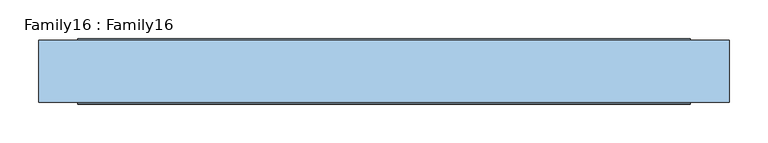
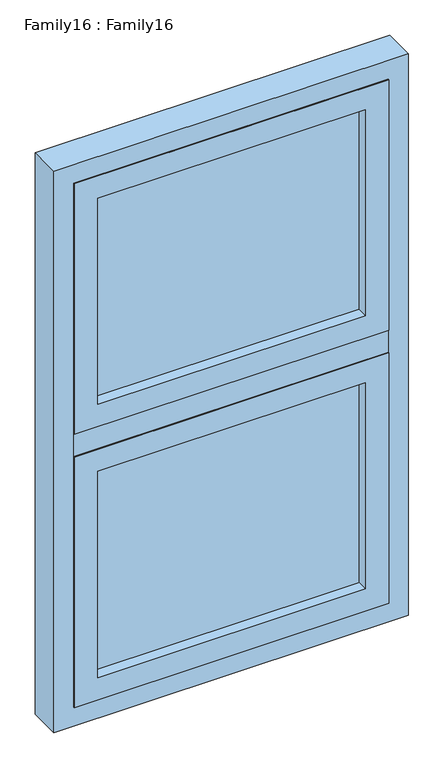
"""IFC4 building model written with IfcOpenShell, lengths in millimetres: window geometry, Family16 : Family16."""

from ifc_helpers import new_model, si_unit, frame, origin, place, context, project, spatial, polyline, outline, extrude, source, transform, mapped, element, save


def family16_family16_118fd4ed(model_context):
    return source(origin(), model_context, "Body", "SweptSolid", [
        extrude(outline(polyline([(336.0, -10.0), (336.0, -14.0), (-336.0, -14.0), (-336.0, -10.0), (336.0, -10.0)])), frame((0.0, 0.0, 909.0), z_axis=(0.0, 0.0, 1.0), x_axis=(1.0, 0.0, 0.0)), (0.0, 0.0, 1.0), 577.0),
        extrude(outline(polyline([(336.0, 14.0), (336.0, 10.0), (-336.0, 10.0), (-336.0, 14.0), (336.0, 14.0)])), frame((0.0, 0.0, 909.0), z_axis=(0.0, 0.0, 1.0), x_axis=(1.0, 0.0, 0.0)), (0.0, 0.0, 1.0), 577.0),
        extrude(outline(polyline([(1515.0, 395.0), (1515.0, -395.0), (850.0, -395.0), (850.0, 395.0), (1515.0, 395.0)]), holes=[polyline([(909.0, 336.0), (909.0, -336.0), (1456.0, -336.0), (1456.0, 336.0), (909.0, 336.0)])]), frame((0.0, -42.0, 0.0), z_axis=(0.0, 1.0, 0.0), x_axis=(0.0, 0.0, 1.0)), (0.0, 0.0, 1.0), 84.0),
        extrude(outline(polyline([(2240.0, 395.0), (2240.0, -395.0), (1575.0, -395.0), (1575.0, 395.0), (2240.0, 395.0)]), holes=[polyline([(1634.0, 336.0), (1634.0, -336.0), (2181.0, -336.0), (2181.0, 336.0), (1634.0, 336.0)])]), frame((0.0, -42.0, 0.0), z_axis=(0.0, 1.0, 0.0), x_axis=(0.0, 0.0, 1.0)), (0.0, 0.0, 1.0), 84.0),
        extrude(outline(polyline([(2290.0, 445.0), (2290.0, -445.0), (800.0, -445.0), (800.0, 445.0), (2290.0, 445.0)]), holes=[polyline([(850.0, 395.0), (850.0, -395.0), (2240.0, -395.0), (2240.0, 395.0), (850.0, 395.0)])]), frame((0.0, -40.0, 0.0), z_axis=(0.0, 1.0, 0.0), x_axis=(0.0, 0.0, 1.0)), (0.0, 0.0, 1.0), 80.0),
        extrude(outline(polyline([(336.0, -10.0), (336.0, -14.0), (-336.0, -14.0), (-336.0, -10.0), (336.0, -10.0)])), frame((0.0, 0.0, 1634.0), z_axis=(0.0, 0.0, 1.0), x_axis=(1.0, 0.0, 0.0)), (0.0, 0.0, 1.0), 547.0),
        extrude(outline(polyline([(336.0, 14.0), (336.0, 10.0), (-336.0, 10.0), (-336.0, 14.0), (336.0, 14.0)])), frame((0.0, 0.0, 1634.0), z_axis=(0.0, 0.0, 1.0), x_axis=(1.0, 0.0, 0.0)), (0.0, 0.0, 1.0), 547.0),
        extrude(outline(polyline([(395.0, -40.0), (-395.0, -40.0), (-395.0, 40.0), (395.0, 40.0), (395.0, -40.0)])), frame((0.0, 0.0, 1515.0), z_axis=(0.0, 0.0, 1.0), x_axis=(1.0, 0.0, 0.0)), (0.0, 0.0, 1.0), 60.0),
    ])


if __name__ == "__main__":
    model = new_model("IFC4")
    model_context = context("Model", 3, world=origin())
    ifc_project = project(units=[si_unit("LENGTHUNIT", "METRE", prefix="MILLI")], contexts=[model_context])
    site = spatial("IfcSite", under=ifc_project)
    building = spatial("IfcBuilding", under=site)
    placement = place(None, origin())
    family16_family16_shape = family16_family16_118fd4ed(model_context)
    element("IfcWindow", 1, ObjectType="Family16 : Family16", at=placement, inside=building, context=model_context, shape_type="MappedRepresentation", body=[
        mapped(family16_family16_shape, transform((0.0, 0.0, 0.0), x_axis=(1.0, 0.0, 0.0), y_axis=(0.0, 1.0, 0.0), z_axis=(0.0, 0.0, 1.0))),
    ])
    save(model, "model.ifc")
